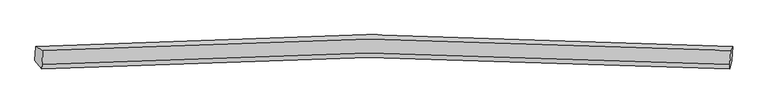
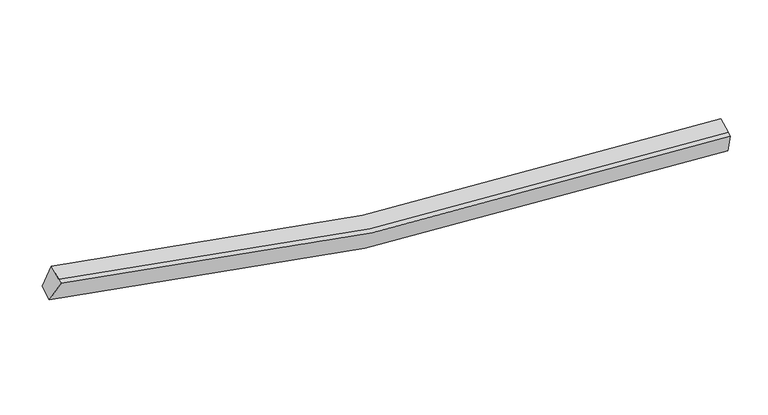
"""IFC4 building model written with IfcOpenShell, lengths in millimetres: proxy geometry."""

from ifc_helpers import new_model, si_unit, frame, origin, place, context, project, spatial, source, transform, mapped, element, save
from ifc_brep_helpers import plane_surface, spline_curve, spline_surface, advanced_brep


def generic_models_04466c33(model_context):
    return source(origin(), model_context, "Body", "AdvancedBrep", [
        advanced_brep(
        [(-10284.5178442, -1858.2189072, 4407.9208214), (-10060.1737336, -1980.8982319, 5097.8233424), (11390.8477299, -1978.5340757, 2568.1661958), (11451.6925948, -1855.7246969, 1845.2818731), (-10080.3243348, -2421.2753161, 4921.8474437), (11370.6971286, -2418.9111599, 2392.1902971), (-10086.6921922, -2560.4403197, 4866.236724), (11364.3292712, -2558.0761636, 2336.5795774), (-10304.6056447, -2297.2235254, 4232.493364), (11431.6047943, -2294.729315, 1669.8544156)],
        [
            (0, 1),
            (1, 2, spline_curve(3, [(-10060.1737336, -1980.8982319, 5097.8233424), (-6696.506081063, -1747.841536838, 4146.915254409), (-3301.043617181, -1626.398565016, 3458.121513622), (3843.684247737, -1605.907746599, 2568.632367489), (7598.56227177, -1726.562666236, 2414.207059217), (11390.8477299, -1978.5340757, 2568.1661958)], [4, 2, 4], [0.0, 34.34696563811195, 71.6023638798311])),
            (2, 3),
            (3, 0, spline_curve(3, [(11451.6925948, -1855.7246969, 1845.2818731), (7608.03937743, -1600.037082572, 1687.904994584), (3802.785080665, -1477.611270675, 1843.667145343), (-3436.857013765, -1498.43731704, 2744.863604955), (-6877.006196144, -1621.694531038, 3443.314436502), (-10284.5178442, -1858.2189072, 4407.9208214)], [4, 2, 4], [0.0, 37.25539824171915, 71.6023638798311])),
            (1, 4),
            (4, 5, spline_curve(3, [(-10080.3243348, -2421.2753161, 4921.8474437), (-6716.656682155, -2188.218621567, 3970.939354849), (-3321.194218854, -2066.775649445, 3282.145614795), (3823.533646842, -2046.284830342, 2392.656468927), (7578.411670291, -2166.939750001, 2238.231160394), (11370.6971286, -2418.9111599, 2392.1902971)], [4, 2, 4], [0.0, 34.11994178278855, 71.12909224152862])),
            (5, 2),
            (4, 6),
            (6, 7, spline_curve(3, [(-10086.6921922, -2560.4403197, 4866.236724), (-6723.024539555, -2327.383625167, 3915.328635149), (-3327.562076254, -2205.940653145, 3226.534895095), (3817.165789442, -2185.449834042, 2337.045749227), (7572.043812891, -2306.104753701, 2182.620440694), (11364.3292712, -2558.0761636, 2336.5795774)], [4, 2, 4], [0.0, 34.119941782788544, 71.12909224152861])),
            (7, 5),
            (6, 8),
            (8, 9, spline_curve(3, [(-10304.6056447, -2297.2235254, 4232.493364), (-6897.093996644, -2060.699149238, 3267.886979102), (-3456.944814265, -1937.44193514, 2569.436147455), (3782.697280165, -1916.615888775, 1668.239687843), (7587.95157693, -2039.041700672, 1512.477537084), (11431.6047943, -2294.729315, 1669.8544156)], [4, 2, 4], [0.0, 34.34696563811197, 71.60236387983113])),
            (9, 7),
            (8, 0),
            (3, 9),
        ],
        [
            spline_surface(3, 3, [[(-10284.5178442, -1858.2189072, 4407.9208214), (-6877.00619624, -1621.694531276, 3443.314436244), (-3436.857013473, -1498.437316526, 2744.863604654), (3802.785080348, -1477.611271233, 1843.66714567), (7608.039377242, -1600.037082583, 1687.904994544), (11451.6925948, -1855.7246969, 1845.2818731)], [(-10209.736473979, -1899.112015416, 4637.888328386), (-6816.839491091, -1663.743533125, 3677.848042118), (-3391.585881387, -1541.091066036, 2982.616240913), (3816.418136153, -1520.376763011, 2085.322219693), (7604.88034216, -1642.212277163, 1930.005682819), (11431.410973168, -1896.66115651, 2086.243313998)], [(-10134.955103821, -1940.005123684, 4867.855835414), (-6756.672786006, -1705.792535025, 3912.381648035), (-3346.314749295, -1583.744815541, 3220.368877152), (3830.051191964, -1563.142254783, 2326.977293695), (7601.721307073, -1684.387471714, 2172.1063711), (11411.129351532, -1937.59761609, 2327.204754902)], [(-10060.1737336, -1980.8982319, 5097.8233424), (-6696.506080857, -1747.841536873, 4146.915253909), (-3301.04361721, -1626.398565051, 3458.121513411), (3843.684247769, -1605.907746561, 2568.632367717), (7598.56227199, -1726.562666295, 2414.207059375), (11390.8477299, -1978.5340757, 2568.1661958)]], [4, 4], [4, 2, 4], [0.0, 2.4138871496456433], [0.0, 34.34696563811195, 71.6023638798311]),
            spline_surface(3, 3, [[(-10060.1737336, -1980.8982319, 5097.8233424), (-6696.506080857, -1747.841536873, 4146.915253909), (-3301.04361721, -1626.398565051, 3458.121513411), (3843.684247769, -1605.907746561, 2568.632367717), (7598.56227199, -1726.562666295, 2414.207059375), (11390.8477299, -1978.5340757, 2568.1661958)], [(-10066.890600675, -2127.690593291, 5039.164709505), (-6703.222947932, -1894.633898265, 4088.256621014), (-3307.760484285, -1773.190926443, 3399.462880516), (3836.967380694, -1752.700107952, 2509.973734823), (7591.845404915, -1873.355027686, 2355.54842648), (11384.130862825, -2125.326437091, 2509.507562905)], [(-10073.607467725, -2274.482954709, 4980.506076595), (-6709.939814982, -2041.426259682, 4029.597988104), (-3314.477351435, -1919.98328776, 3340.804247606), (3830.250513544, -1899.492469269, 2451.315101912), (7585.128537765, -2020.147389103, 2296.88979357), (11377.413995675, -2272.118798509, 2450.848929995)], [(-10080.3243348, -2421.2753161, 4921.8474437), (-6716.656682057, -2188.218621073, 3970.939355209), (-3321.19421851, -2066.775649151, 3282.145614711), (3823.533646469, -2046.284830661, 2392.656469017), (7578.41167069, -2166.939750495, 2238.231160675), (11370.6971286, -2418.9111599, 2392.1902971)]], [4, 4], [4, 2, 4], [0.0, 1.5572952989123205], [0.0, 34.11994178278855, 71.12909224152862]),
            spline_surface(3, 3, [[(-10080.3243348, -2421.2753161, 4921.8474437), (-6716.656682057, -2188.218621073, 3970.939355209), (-3321.19421851, -2066.775649151, 3282.145614711), (3823.533646469, -2046.284830661, 2392.656469017), (7578.41167069, -2166.939750495, 2238.231160675), (11370.6971286, -2418.9111599, 2392.1902971)], [(-10082.446953948, -2467.663650657, 4903.310537136), (-6718.779301205, -2234.606955631, 3952.402448645), (-3323.316837658, -2113.163983709, 3263.608708148), (3821.411027321, -2092.673165218, 2374.119562454), (7576.289051542, -2213.328085052, 2219.694254111), (11368.574509452, -2465.299494457, 2373.653390536)], [(-10084.569573052, -2514.051985143, 4884.773630564), (-6720.901920309, -2280.995290116, 3933.865542073), (-3325.439456762, -2159.552318294, 3245.071801575), (3819.288408217, -2139.061499803, 2355.582655881), (7574.166432438, -2259.716419637, 2201.157347539), (11366.451890348, -2511.687829043, 2355.116483964)], [(-10086.6921922, -2560.4403197, 4866.236724), (-6723.024539457, -2327.383624673, 3915.328635509), (-3327.56207591, -2205.940652851, 3226.534895011), (3817.165789069, -2185.449834361, 2337.045749317), (7572.04381329, -2306.104754195, 2182.620440975), (11364.3292712, -2558.0761636, 2336.5795774)]], [4, 4], [4, 2, 4], [0.0, 0.49212598425196663], [0.0, 34.119941782788544, 71.12909224152861]),
            spline_surface(3, 3, [[(-10086.6921922, -2560.4403197, 4866.236724), (-6723.024539457, -2327.383624673, 3915.328635509), (-3327.56207591, -2205.940652851, 3226.534895011), (3817.165789069, -2185.449834361, 2337.045749317), (7572.04381329, -2306.104754195, 2182.620440975), (11364.3292712, -2558.0761636, 2336.5795774)], [(-10159.330009687, -2472.701388249, 4654.988937317), (-6781.047691872, -2238.48879959, 3699.514749937), (-3370.689655261, -2116.441080106, 3007.501979055), (3805.676285998, -2095.838519348, 2114.110395598), (7577.346401107, -2217.08373638, 1959.239473002), (11386.754445566, -2470.293880756, 2114.337856804)], [(-10231.967827213, -2384.962456851, 4443.741150683), (-6839.070844326, -2149.593974559, 3483.700864416), (-3413.817234622, -2026.941507371, 2788.46906311), (3794.186782918, -2006.227204345, 1891.17504189), (7582.648988925, -2128.062718497, 1735.858505017), (11409.179619934, -2382.511597844, 1892.096136196)], [(-10304.6056447, -2297.2235254, 4232.493364), (-6897.09399674, -2060.699149476, 3267.886978844), (-3456.944813973, -1937.441934626, 2569.436147154), (3782.697279848, -1916.615889333, 1668.23968817), (7587.951576742, -2039.041700683, 1512.477537044), (11431.6047943, -2294.729315, 1669.8544156)]], [4, 4], [4, 2, 4], [0.0, 2.362173288114818], [0.0, 34.34696563811197, 71.60236387983113]),
            spline_surface(3, 3, [[(-10304.6056447, -2297.2235254, 4232.493364), (-6897.09399674, -2060.699149476, 3267.886978844), (-3456.944813973, -1937.441934626, 2569.436147154), (3782.697279848, -1916.615889333, 1668.23968817), (7587.951576742, -2039.041700683, 1512.477537044), (11431.6047943, -2294.729315, 1669.8544156)], [(-10297.909711212, -2150.888652686, 4290.969183156), (-6890.398063252, -1914.364276762, 3326.362798), (-3450.248880484, -1791.107061911, 2627.91196631), (3789.393213336, -1770.281016619, 1726.715507327), (7594.64751023, -1892.706827968, 1570.953356201), (11438.300727788, -2148.394442286, 1728.330234756)], [(-10291.213777688, -2004.553779914, 4349.445002244), (-6883.702129728, -1768.02940399, 3384.838617087), (-3443.552946961, -1644.77218924, 2686.387785497), (3796.08914686, -1623.946143947, 1785.191326514), (7601.343443754, -1746.371955297, 1629.429175388), (11444.996661312, -2002.059569614, 1786.806053944)], [(-10284.5178442, -1858.2189072, 4407.9208214), (-6877.00619624, -1621.694531276, 3443.314436244), (-3436.857013473, -1498.437316526, 2744.863604654), (3802.785080348, -1477.611271233, 1843.66714567), (7608.039377242, -1600.037082583, 1687.904994544), (11451.6925948, -1855.7246969, 1845.2818731)]], [4, 4], [4, 2, 4], [0.0, 1.5524418790224406], [0.0, 34.57398978849301, 72.07563613323379]),
            plane_surface(frame((11409.6185975, -2171.7660628, 2104.9705155), z_axis=(0.9947196052178845, -0.07395232445749124, 0.07116151138438545), x_axis=(0.09343822652695478, 0.36575951185023486, -0.9260071691485846))),
            plane_surface(frame((-10183.9973537, -2174.1952461, 4651.118563), z_axis=(-0.9521534481222746, -0.07484015323371815, 0.29631530958223634), x_axis=(-0.04245238295635708, -0.9277666911451456, -0.3707381312772059))),
        ],
        [
            (0, [[1, 2, 3, 4]]),
            (1, [[5, 6, 7, -2]]),
            (2, [[8, 9, 10, -6]]),
            (3, [[11, 12, 13, -9]]),
            (4, [[14, -4, 15, -12]]),
            (5, [[-13, -15, -3, -7, -10]]),
            (6, [[-14, -11, -8, -5, -1]]),
        ],
    ),
    ])


if __name__ == "__main__":
    model = new_model("IFC4")
    model_context = context("Model", 3, world=origin())
    ifc_project = project(units=[si_unit("LENGTHUNIT", "METRE", prefix="MILLI")], contexts=[model_context])
    site = spatial("IfcSite", under=ifc_project)
    building = spatial("IfcBuilding", under=site)
    placement = place(None, origin())
    generic_models_shape = generic_models_04466c33(model_context)
    element("IfcBuildingElementProxy", 1, Name="Generic Models", at=placement, inside=building, context=model_context, shape_type="MappedRepresentation", body=[
        mapped(generic_models_shape, transform((0.0, 0.0, 0.0), x_axis=(1.0, 0.0, 0.0), y_axis=(0.0, 1.0, 0.0), z_axis=(0.0, 0.0, 1.0))),
    ])
    save(model, "model.ifc")
